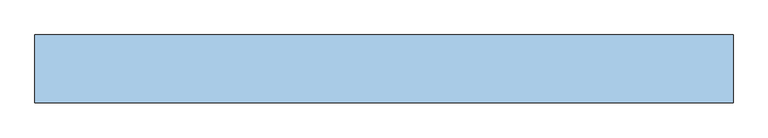
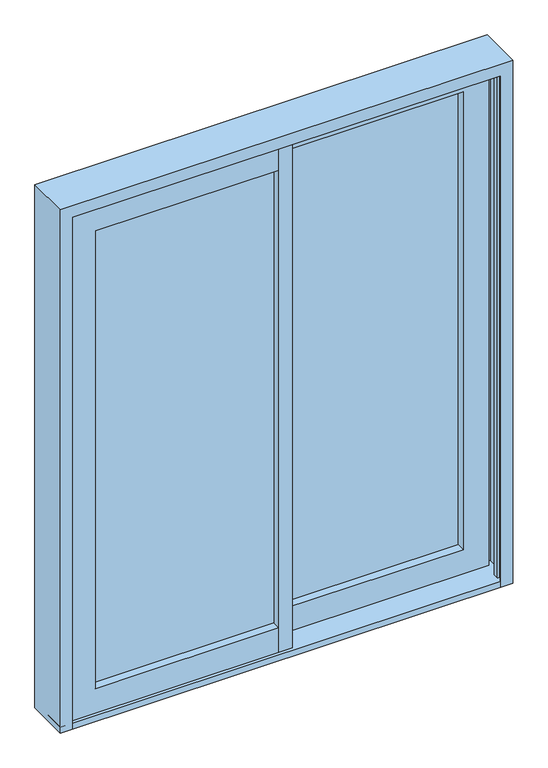
"""IFC4 building model written with IfcOpenShell, lengths in millimetres: window geometry."""

import ifcopenshell
import ifcopenshell.guid

model = None  # the IFC model being written
_history = None  # IfcOwnerHistory: only IFC2X3 demands one
_inside = {}  # id of a spatial element -> (the spatial element, [elements in it])
_under = {}  # id of a project, library or spatial element -> (it, [spatial elements below it])
_declared = {}  # id of a project -> (the project, [libraries it declares])
_typed = {}  # id of a type object -> (the type object, [elements of that type])
_made_of = {}  # id of a material, layer set ... -> (it, [elements and type objects made of it])


def new_model(schema):
    """Start an empty IFC model of exactly this schema.

    Asked for "IFC4X3", IfcOpenShell would pick the latest addendum, in which some entities
    have other attributes; the version numbers below select the first issue.
    IFC2X3 requires an IfcOwnerHistory on every rooted entity: one is made here for all.
    """
    global model, _history
    if schema == "IFC4X3":
        model = ifcopenshell.file(schema_version=(4, 3, 0, 0))
    else:
        model = ifcopenshell.file(schema=schema)
    _inside.clear()
    _under.clear()
    _declared.clear()
    _typed.clear()
    _made_of.clear()
    _history = None
    if model.schema == "IFC2X3":
        org = make("IfcOrganization", Name="unknown")
        user = make(
            "IfcPersonAndOrganization",
            ThePerson=make("IfcPerson", FamilyName="unknown"),
            TheOrganization=org,
        )
        app = make(
            "IfcApplication",
            ApplicationDeveloper=org,
            Version="unknown",
            ApplicationFullName="unknown",
            ApplicationIdentifier="unknown",
        )
        _history = make(
            "IfcOwnerHistory",
            OwningUser=user,
            OwningApplication=app,
            ChangeAction="ADDED",
            CreationDate=0,
        )
    return model


def make(cls, **values):
    """One entity of the class cls with the attributes given. An attribute that is None is left unset."""
    return model.create_entity(
        cls, **{name: value for name, value in values.items() if value is not None}
    )


def rooted(cls, **values):
    """An entity with a GlobalId (a new one), such as an element, a storey or a relation."""
    return make(cls, GlobalId=ifcopenshell.guid.new(), OwnerHistory=_history, **values)


def si_unit(unit_type, name, prefix=None):
    """IfcSIUnit, for example si_unit("LENGTHUNIT", "METRE", prefix="MILLI")."""
    return make("IfcSIUnit", UnitType=unit_type, Prefix=prefix, Name=name)


def assignment(units):
    """IfcUnitAssignment: the units of a project."""
    return None if units is None else make("IfcUnitAssignment", Units=units)


def point(xyz):
    """IfcCartesianPoint."""
    return None if xyz is None else make("IfcCartesianPoint", Coordinates=xyz)


def direction(xyz):
    """IfcDirection."""
    return None if xyz is None else make("IfcDirection", DirectionRatios=xyz)


def frame(location, z_axis=None, x_axis=None):
    """IfcAxis2Placement3D, a coordinate frame: its origin and axes. An axis left out is left unset."""
    return make(
        "IfcAxis2Placement3D",
        Location=point(location),
        Axis=direction(z_axis),
        RefDirection=direction(x_axis),
    )


def origin():
    """The frame at (0, 0, 0) with its axes left unset."""
    return frame((0.0, 0.0, 0.0))


def origin_with_axes():
    """The frame at (0, 0, 0) with the z axis (0, 0, 1) and the x axis (1, 0, 0) written out."""
    return frame((0.0, 0.0, 0.0), z_axis=(0.0, 0.0, 1.0), x_axis=(1.0, 0.0, 0.0))


def place(relative_to, where):
    """IfcLocalPlacement: puts the frame where relative to a parent placement (None: the world)."""
    return make(
        "IfcLocalPlacement", PlacementRelTo=relative_to, RelativePlacement=where
    )


def context(
    kind, dimensions, precision=None, world=None, true_north=None, identifier=None
):
    """IfcGeometricRepresentationContext, for example the 3D "Model" context."""
    return make(
        "IfcGeometricRepresentationContext",
        ContextIdentifier=identifier,
        ContextType=kind,
        CoordinateSpaceDimension=dimensions,
        Precision=precision,
        WorldCoordinateSystem=world,
        TrueNorth=true_north,
    )


def project(units=None, contexts=None):
    """IfcProject with its units and contexts."""
    return rooted(
        "IfcProject",
        Name="project",
        RepresentationContexts=contexts,
        UnitsInContext=assignment(units),
    )


def spatial(cls, under=None, at=None, **own):
    """A site, building, storey or space (cls), placed at a placement, below another one or the project."""
    s = rooted(cls, ObjectPlacement=at, **own)
    if under is not None:
        _under.setdefault(under.id(), (under, []))[1].append(s)
    return s


def polyline(points):
    """IfcPolyline through the points."""
    return make("IfcPolyline", Points=[point(p) for p in points])


def outline(outer, holes=None, kind="AREA"):
    """IfcArbitraryClosedProfileDef: a profile drawn as a closed curve; with holes, ...WithVoids."""
    if holes is None:
        return make("IfcArbitraryClosedProfileDef", ProfileType=kind, OuterCurve=outer)
    return make(
        "IfcArbitraryProfileDefWithVoids",
        ProfileType=kind,
        OuterCurve=outer,
        InnerCurves=holes,
    )


def extrude(swept, where, along, depth):
    """IfcExtrudedAreaSolid: the profile swept, set in the frame where, extruded along a direction by depth."""
    return make(
        "IfcExtrudedAreaSolid",
        SweptArea=swept,
        Position=where,
        ExtrudedDirection=direction(along),
        Depth=depth,
    )


def faces_of(points, faces, orient=None, outer=None):
    """IfcFace entities. A face is a list of loops; a loop is a list of indices into points, from 0.

    orient and outer hold one flag for each loop. By default every Orientation is true, the
    first loop of a face is its IfcFaceOuterBound and the others are IfcFaceBound.
    """
    made = []
    for i, loops in enumerate(faces):
        bounds = []
        for j, loop in enumerate(loops):
            is_outer = j == 0 if outer is None else outer[i][j]
            bounds.append(
                make(
                    "IfcFaceOuterBound" if is_outer else "IfcFaceBound",
                    Bound=make("IfcPolyLoop", Polygon=[points[k] for k in loop]),
                    Orientation=True if orient is None else orient[i][j],
                )
            )
        made.append(make("IfcFace", Bounds=bounds))
    return made


def faceted_brep(points, faces, orient=None, outer=None, voids=None):
    """IfcFacetedBrep: a solid bounded by flat faces; with voids (closed shells), ...WithVoids."""
    shared = [point(p) for p in points]
    hull = make("IfcClosedShell", CfsFaces=faces_of(shared, faces, orient, outer))
    if voids is None:
        return make("IfcFacetedBrep", Outer=hull)
    return make(
        "IfcFacetedBrepWithVoids",
        Outer=hull,
        Voids=[
            make(cls, CfsFaces=faces_of(shared, fs, o, b)) for cls, fs, o, b in voids
        ],
    )


def shape(context_of_items, identifier, shape_type, items):
    """IfcShapeRepresentation: the items that make up one representation, for example the "Body"."""
    return make(
        "IfcShapeRepresentation",
        ContextOfItems=context_of_items,
        RepresentationIdentifier=identifier,
        RepresentationType=shape_type,
        Items=items,
    )


def source(mapping_origin, context_of_items, identifier, shape_type, items):
    """IfcRepresentationMap: a shape defined once, which mapped items show again and again."""
    return make(
        "IfcRepresentationMap",
        MappingOrigin=mapping_origin,
        MappedRepresentation=shape(context_of_items, identifier, shape_type, items),
    )


def transform(
    local_origin,
    x_axis=None,
    y_axis=None,
    z_axis=None,
    scale=None,
    scale2=None,
    scale3=None,
    uniform=True,
):
    """IfcCartesianTransformationOperator3D, or its non-uniform kind. x_axis, y_axis, z_axis: its Axis1, 2, 3."""
    if uniform:
        return make(
            "IfcCartesianTransformationOperator3D",
            Axis1=direction(x_axis),
            Axis2=direction(y_axis),
            LocalOrigin=point(local_origin),
            Scale=scale,
            Axis3=direction(z_axis),
        )
    return make(
        "IfcCartesianTransformationOperator3DnonUniform",
        Axis1=direction(x_axis),
        Axis2=direction(y_axis),
        LocalOrigin=point(local_origin),
        Scale=scale,
        Axis3=direction(z_axis),
        Scale2=scale2,
        Scale3=scale3,
    )


def mapped(mapping_source, mapping_target):
    """IfcMappedItem: shows the shape of a source again, moved by a transform."""
    return make(
        "IfcMappedItem", MappingSource=mapping_source, MappingTarget=mapping_target
    )


def made_of(thing, what):
    """Note that an element or type object is made of a material, layer set ...; save() writes the relation."""
    if what is not None:
        _made_of.setdefault(what.id(), (what, []))[1].append(thing)
    return thing


def element(
    cls,
    number,
    at=None,
    inside=None,
    cuts=None,
    type_object=None,
    material=None,
    context=None,
    identifier="Body",
    shape_type=None,
    held_by="IfcProductDefinitionShape",
    body=None,
    shapes=None,
    **own,
):
    """One element of the class cls, such as IfcWall. Its Tag is "e" and its number.

    at: its placement. inside: the storey or other place that contains it. cuts: it is an
    opening in that element (IfcRelVoidsElement). A single representation is given by context,
    identifier, shape_type and body (its items); several are given by shapes. held_by: the class
    of the entity that holds the representations. save() writes the other relations.
    """
    e = rooted(cls, Tag="e%d" % number, ObjectPlacement=at, **own)
    if body is not None:
        shapes = [shape(context, identifier, shape_type, body)]
    if shapes is not None:
        e.Representation = make(held_by, Representations=shapes)
    if inside is not None:
        _inside.setdefault(inside.id(), (inside, []))[1].append(e)
    if cuts is not None:
        rooted(
            "IfcRelVoidsElement", RelatingBuildingElement=cuts, RelatedOpeningElement=e
        )
    if type_object is not None:
        _typed.setdefault(type_object.id(), (type_object, []))[1].append(e)
    return made_of(e, material)


def aggregate(whole, parts):
    """IfcRelAggregates: a whole, such as a stair, and the parts it consists of."""
    return rooted("IfcRelAggregates", RelatingObject=whole, RelatedObjects=parts)


def save(model, path):
    """Write the relations noted so far, then the file.

    IfcRelAggregates (storeys below a building ...), IfcRelContainedInSpatialStructure (elements
    in a storey), IfcRelDefinesByType, IfcRelAssociatesMaterial and IfcRelDeclares: one each for
    every whole, place, type object, material and project.
    """
    for whole, parts in _under.values():
        aggregate(whole, parts)
    for where, things in _inside.values():
        rooted(
            "IfcRelContainedInSpatialStructure",
            RelatedElements=things,
            RelatingStructure=where,
        )
    for kind, things in _typed.values():
        rooted("IfcRelDefinesByType", RelatedObjects=things, RelatingType=kind)
    for what, things in _made_of.values():
        rooted("IfcRelAssociatesMaterial", RelatedObjects=things, RelatingMaterial=what)
    for by, libraries in _declared.values():
        rooted("IfcRelDeclares", RelatingContext=by, RelatedDefinitions=libraries)
    model.write(path)


def window_533b8f84(model_context):
    return source(origin(), model_context, "Body", "SolidModel", [
        extrude(outline(polyline([(-27.0, 82.6), (27.0, 82.6), (27.0, 12.6), (-18.6, 12.6), (-18.6, -3.4), (-27.0, -3.4), (-27.0, 82.6)])), frame((0.0, 0.0, 30.0), z_axis=(0.0, 0.0, 1.0), x_axis=(1.0, 0.0, 0.0)), (0.0, 0.0, 1.0), 2131.0),
        extrude(outline(polyline([(27.0, -77.4), (-27.0, -77.4), (-27.0, -7.4), (18.6, -7.4), (18.6, 8.6), (27.0, 8.6), (27.0, -77.4)])), frame((0.0, 0.0, 30.0), z_axis=(0.0, 0.0, 1.0), x_axis=(1.0, 0.0, 0.0)), (0.0, 0.0, 1.0), 2131.0),
        faceted_brep([(27.0, 82.6, 133.0), (27.0, 82.6, 30.0), (27.0, 70.2, 30.0), (27.0, 70.2, 61.1), (27.0, 25.0, 61.1), (27.0, 25.0, 30.0), (27.0, 12.6, 30.0), (27.0, 12.6, 133.0), (758.0, 82.6, 133.0), (758.0, 82.6, 2058.0), (27.0, 82.6, 2058.0), (27.0, 82.6, 2161.0), (861.0, 82.6, 2161.0), (861.0, 82.6, 30.0), (861.0, 70.2, 30.0), (861.0, 70.2, 2161.0), (27.0, 70.2, 2161.0), (27.0, 70.2, 2129.9), (829.9, 70.2, 2129.9), (829.9, 70.2, 61.1), (829.9, 25.0, 61.1), (829.9, 25.0, 2129.9), (27.0, 25.0, 2129.9), (27.0, 25.0, 2161.0), (861.0, 25.0, 2161.0), (861.0, 25.0, 30.0), (861.0, 12.6, 30.0), (861.0, 12.6, 2161.0), (27.0, 12.6, 2161.0), (27.0, 12.6, 2058.0), (758.0, 12.6, 2058.0), (758.0, 12.6, 133.0)], [[[0, 1, 2, 3, 4, 5, 6, 7]], [[1, 0, 8, 9, 10, 11, 12, 13]], [[2, 1, 13, 14]], [[3, 2, 14, 15, 16, 17, 18, 19]], [[4, 3, 19, 20]], [[5, 4, 20, 21, 22, 23, 24, 25]], [[6, 5, 25, 26]], [[7, 6, 26, 27, 28, 29, 30, 31]], [[0, 7, 31, 8]], [[8, 31, 30, 9]], [[14, 13, 12, 15]], [[20, 19, 18, 21]], [[26, 25, 24, 27]], [[10, 29, 28, 23, 22, 17, 16, 11]], [[15, 12, 11, 16]], [[21, 18, 17, 22]], [[27, 24, 23, 28]], [[9, 30, 29, 10]]]),
        extrude(outline(polyline([(27.0, 74.6), (758.0, 74.6), (758.0, 46.6), (27.0, 46.6), (27.0, 74.6)])), frame((0.0, 0.0, 133.0), z_axis=(0.0, 0.0, 1.0), x_axis=(1.0, 0.0, 0.0)), (0.0, 0.0, 1.0), 1925.0),
        extrude(outline(polyline([(-27.0, -43.4), (-758.0, -43.4), (-758.0, -15.4), (-27.0, -15.4), (-27.0, -43.4)])), frame((0.0, 0.0, 133.0), z_axis=(0.0, 0.0, 1.0), x_axis=(1.0, 0.0, 0.0)), (0.0, 0.0, 1.0), 1925.0),
        faceted_brep([(-27.0, -77.4, 133.0), (-27.0, -77.4, 30.0), (-27.0, -65.0, 30.0), (-27.0, -65.0, 61.1), (-27.0, -19.8, 61.1), (-27.0, -19.8, 30.0), (-27.0, -7.4, 30.0), (-27.0, -7.4, 133.0), (-758.0, -77.4, 133.0), (-758.0, -77.4, 2058.0), (-27.0, -77.4, 2058.0), (-27.0, -77.4, 2161.0), (-861.0, -77.4, 2161.0), (-861.0, -77.4, 30.0), (-861.0, -65.0, 30.0), (-861.0, -65.0, 2161.0), (-27.0, -65.0, 2161.0), (-27.0, -65.0, 2129.9), (-829.9, -65.0, 2129.9), (-829.9, -65.0, 61.1), (-829.9, -19.8, 61.1), (-829.9, -19.8, 2129.9), (-27.0, -19.8, 2129.9), (-27.0, -19.8, 2161.0), (-861.0, -19.8, 2161.0), (-861.0, -19.8, 30.0), (-861.0, -7.4, 30.0), (-861.0, -7.4, 2161.0), (-27.0, -7.4, 2161.0), (-27.0, -7.4, 2058.0), (-758.0, -7.4, 2058.0), (-758.0, -7.4, 133.0)], [[[0, 1, 2, 3, 4, 5, 6, 7]], [[1, 0, 8, 9, 10, 11, 12, 13]], [[2, 1, 13, 14]], [[3, 2, 14, 15, 16, 17, 18, 19]], [[4, 3, 19, 20]], [[5, 4, 20, 21, 22, 23, 24, 25]], [[6, 5, 25, 26]], [[7, 6, 26, 27, 28, 29, 30, 31]], [[0, 7, 31, 8]], [[8, 31, 30, 9]], [[14, 13, 12, 15]], [[20, 19, 18, 21]], [[26, 25, 24, 27]], [[10, 29, 28, 23, 22, 17, 16, 11]], [[15, 12, 11, 16]], [[21, 18, 17, 22]], [[27, 24, 23, 28]], [[9, 30, 29, 10]]]),
        faceted_brep([(-900.0, 91.1, 0.0), (-852.0, 91.1, 0.0), (-852.0, 84.0, 0.0), (-883.7, 84.0, 0.0), (-883.7, 52.1, 0.0), (-860.0, 52.1, 0.0), (-860.0, 66.1, 0.0), (-852.0, 66.1, 0.0), (-852.0, 43.1, 0.0), (-883.7, 43.1, 0.0), (-883.7, -37.9, 0.0), (-852.0, -37.9, 0.0), (-852.0, -60.9, 0.0), (-860.0, -60.9, 0.0), (-860.0, -46.9, 0.0), (-883.7, -46.9, 0.0), (-883.7, -80.2, 0.0), (-852.0, -80.2, 0.0), (-852.0, -84.0, 0.0), (-900.0, -84.0, 0.0), (-900.0, 91.1, 2200.0), (900.0, 91.1, 2200.0), (900.0, 91.1, 0.0), (852.0, 91.1, 0.0), (852.0, 91.1, 2152.0), (-852.0, 91.1, 2152.0), (-852.0, 84.0, 2152.0), (852.0, 84.0, 2152.0), (852.0, 84.0, 0.0), (883.7, 84.0, 0.0), (883.7, 84.0, 2183.7), (-883.7, 84.0, 2183.7), (-883.7, 52.1, 2183.7), (883.7, 52.1, 2183.7), (883.7, 52.1, 0.0), (860.0, 52.1, 0.0), (860.0, 52.1, 2160.0), (-860.0, 52.1, 2160.0), (-860.0, 66.1, 2160.0), (860.0, 66.1, 2160.0), (860.0, 66.1, 0.0), (852.0, 66.1, 0.0), (852.0, 66.1, 2152.0), (-852.0, 66.1, 2152.0), (-852.0, 43.1, 2152.0), (852.0, 43.1, 2152.0), (852.0, 43.1, 0.0), (883.7, 43.1, 0.0), (883.7, 43.1, 2183.7), (-883.7, 43.1, 2183.7), (-883.7, -37.9, 2183.7), (883.7, -37.9, 2183.7), (883.7, -37.9, 0.0), (852.0, -37.9, 0.0), (852.0, -37.9, 2152.0), (-852.0, -37.9, 2152.0), (-852.0, -60.9, 2152.0), (852.0, -60.9, 2152.0), (852.0, -60.9, 0.0), (860.0, -60.9, 0.0), (860.0, -60.9, 2160.0), (-860.0, -60.9, 2160.0), (-860.0, -46.9, 2160.0), (860.0, -46.9, 2160.0), (860.0, -46.9, 0.0), (883.7, -46.9, 0.0), (883.7, -46.9, 2183.7), (-883.7, -46.9, 2183.7), (-883.7, -80.2, 2183.7), (883.7, -80.2, 2183.7), (883.7, -80.2, 0.0), (852.0, -80.2, 0.0), (852.0, -80.2, 2152.0), (-852.0, -80.2, 2152.0), (-852.0, -84.0, 2152.0), (852.0, -84.0, 2152.0), (852.0, -84.0, 0.0), (900.0, -84.0, 0.0), (900.0, -84.0, 2200.0), (-900.0, -84.0, 2200.0)], [[[0, 1, 2, 3, 4, 5, 6, 7, 8, 9, 10, 11, 12, 13, 14, 15, 16, 17, 18, 19]], [[1, 0, 20, 21, 22, 23, 24, 25]], [[2, 1, 25, 26]], [[2, 26, 27, 28, 29, 30, 31, 3]], [[4, 3, 31, 32]], [[5, 4, 32, 33, 34, 35, 36, 37]], [[6, 5, 37, 38]], [[7, 6, 38, 39, 40, 41, 42, 43]], [[8, 7, 43, 44]], [[9, 8, 44, 45, 46, 47, 48, 49]], [[10, 9, 49, 50]], [[11, 10, 50, 51, 52, 53, 54, 55]], [[12, 11, 55, 56]], [[13, 12, 56, 57, 58, 59, 60, 61]], [[14, 13, 61, 62]], [[15, 14, 62, 63, 64, 65, 66, 67]], [[16, 15, 67, 68]], [[17, 16, 68, 69, 70, 71, 72, 73]], [[18, 17, 73, 74]], [[19, 18, 74, 75, 76, 77, 78, 79]], [[0, 19, 79, 20]], [[28, 23, 22, 77, 76, 71, 70, 65, 64, 59, 58, 53, 52, 47, 46, 41, 40, 35, 34, 29]], [[23, 28, 27, 24]], [[77, 22, 21, 78]], [[71, 76, 75, 72]], [[65, 70, 69, 66]], [[59, 64, 63, 60]], [[53, 58, 57, 54]], [[47, 52, 51, 48]], [[41, 46, 45, 42]], [[35, 40, 39, 36]], [[29, 34, 33, 30]], [[30, 33, 32, 31]], [[36, 39, 38, 37]], [[42, 45, 44, 43]], [[48, 51, 50, 49]], [[54, 57, 56, 55]], [[60, 63, 62, 61]], [[66, 69, 68, 67]], [[72, 75, 74, 73]], [[20, 79, 78, 21]], [[27, 26, 25, 24]]]),
        extrude(outline(polyline([(900.0, 83.5), (900.0, -83.5), (-900.0, -83.5), (-900.0, 83.5), (900.0, 83.5)])), origin_with_axes(), (0.0, 0.0, 1.0), 25.0),
    ])


if __name__ == "__main__":
    model = new_model("IFC4")
    model_context = context("Model", 3, world=origin())
    ifc_project = project(units=[si_unit("LENGTHUNIT", "METRE", prefix="MILLI")], contexts=[model_context])
    site = spatial("IfcSite", under=ifc_project)
    building = spatial("IfcBuilding", under=site)
    placement = place(None, origin())
    window_shape = window_533b8f84(model_context)
    element("IfcWindow", 1, at=placement, inside=building, context=model_context, shape_type="MappedRepresentation", body=[
        mapped(window_shape, transform((0.0, 0.0, 0.0), x_axis=(1.0, 0.0, 0.0), y_axis=(0.0, 1.0, 0.0), z_axis=(0.0, 0.0, 1.0))),
    ])
    save(model, "model.ifc")
